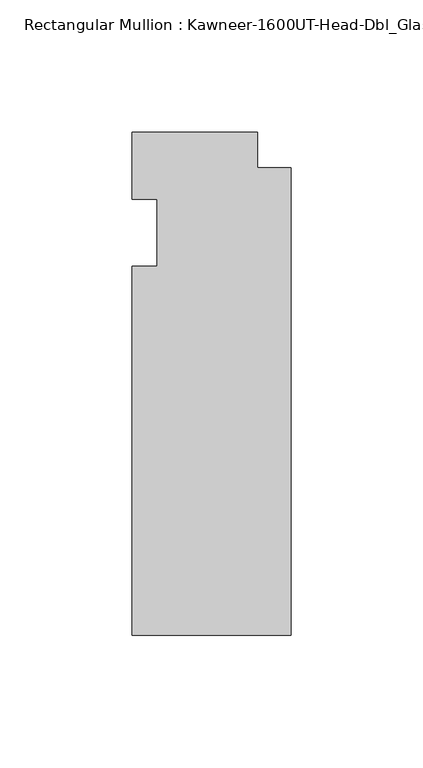
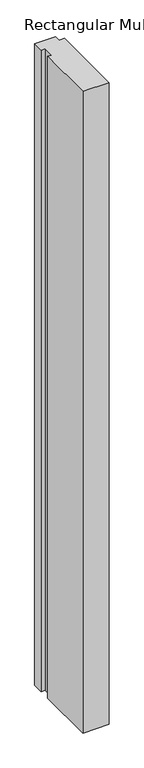
"""IFC4 building model written with IfcOpenShell, lengths in millimetres: member geometry."""

from ifc_helpers import new_model, si_unit, frame, origin, place, context, project, spatial, polyline, outline, extrude, source, transform, mapped, element, save


def member_ff543261(model_context):
    return source(origin(), model_context, "Body", "SweptSolid", [
        extrude(outline(polyline([(-60.325, -12.7), (-50.8, -12.7), (-50.8, 12.7), (-60.325, 12.7), (-60.325, 38.1), (-12.7, 38.1), (-12.7, 24.60625), (0.0, 24.60625), (0.0, -152.4), (-60.325, -152.4), (-60.325, -12.7)])), frame((0.0, 0.0, -1550.9874997), z_axis=(0.0, 0.0, 1.0), x_axis=(1.0, 0.0, 0.0)), (0.0, 0.0, 1.0), 1550.9874997),
    ])


if __name__ == "__main__":
    model = new_model("IFC4")
    model_context = context("Model", 3, world=origin())
    ifc_project = project(units=[si_unit("LENGTHUNIT", "METRE", prefix="MILLI")], contexts=[model_context])
    site = spatial("IfcSite", under=ifc_project)
    building = spatial("IfcBuilding", under=site)
    placement = place(None, origin())
    member_shape = member_ff543261(model_context)
    element("IfcMember", 1, ObjectType="Rectangular Mullion : Kawneer-1600UT-Head-Dbl_Glass-7_1/2\"", at=placement, inside=building, context=model_context, shape_type="MappedRepresentation", body=[
        mapped(member_shape, transform((0.0, 0.0, 0.0), x_axis=(1.0, 0.0, 0.0), y_axis=(0.0, 1.0, 0.0), z_axis=(0.0, 0.0, 1.0))),
    ])
    save(model, "model.ifc")
